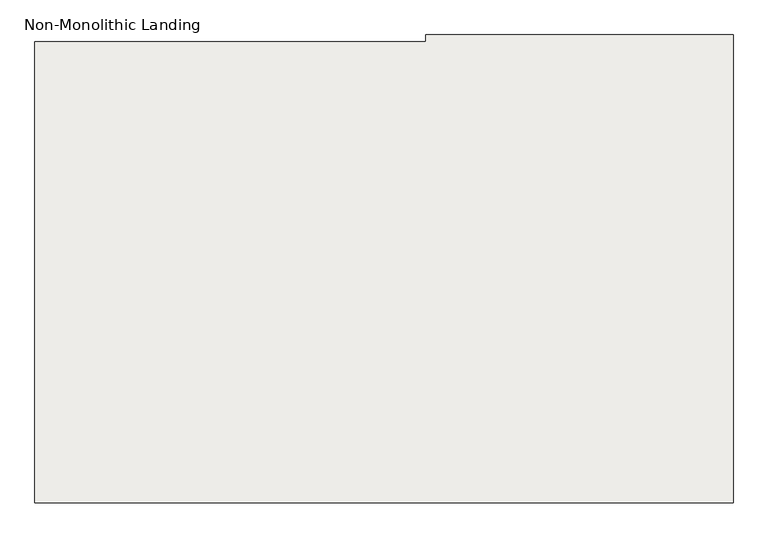
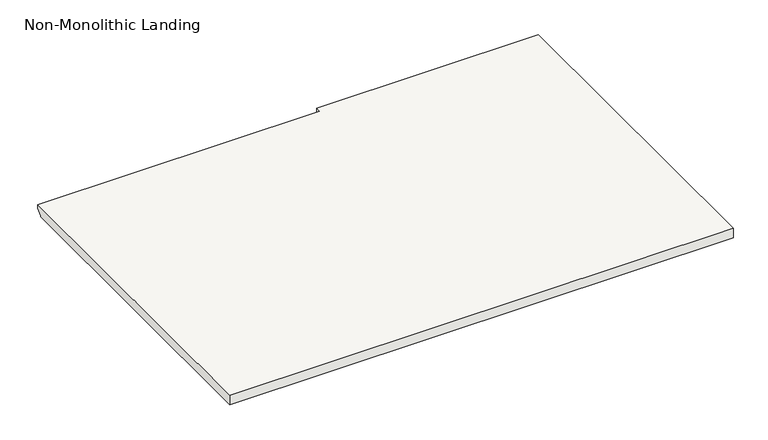
"""IFC4 building model written with IfcOpenShell, lengths in millimetres: slab geometry, Non-Monolithic Landing."""

from ifc_helpers import new_model, si_unit, origin, place, context, project, spatial, faceted_brep, source, transform, mapped, element, save


def non_monolithic_landing_270d0129(model_context):
    return source(origin(), model_context, "Body", "Brep", [
        faceted_brep([(51147.2760627, -14067.1917051, 1581.15), (51147.2760627, -14041.7917051, 1606.55), (52264.8760627, -14041.7917051, 1606.55), (52264.8760627, -14067.1917051, 1581.15), (51147.2760627, -15718.1917051, 1625.6), (53687.2760627, -15718.1917051, 1625.6), (53687.2760627, -14041.7917051, 1625.6), (53687.2760627, -14016.3917051, 1625.6), (52569.6760627, -14016.3917051, 1625.6), (52569.6760627, -14041.7917051, 1625.6), (51147.2760627, -14041.7917051, 1625.6), (52264.8760627, -14067.1917051, 1574.8), (52264.8760627, -14041.7917051, 1574.8), (52569.6760627, -14041.7917051, 1574.8), (52569.6760627, -14016.3917051, 1574.8), (53687.2760627, -14016.3917051, 1574.8), (53687.2760627, -14041.7917051, 1574.8), (53687.2760627, -15718.1917051, 1574.8), (51147.2760627, -15718.1917051, 1574.8), (51147.2760627, -14067.1917051, 1574.8)], [[[0, 1, 2, 3]], [[4, 5, 6, 7, 8, 9, 10]], [[11, 12, 13, 14, 15, 16, 17, 18, 19]], [[12, 11, 3, 2]], [[11, 19, 0, 3]], [[4, 10, 1, 0, 19, 18]], [[5, 4, 18, 17]], [[6, 5, 17, 16]], [[7, 6, 16, 15]], [[8, 7, 15, 14]], [[9, 8, 14, 13]], [[10, 9, 13, 12, 2, 1]]]),
    ])


if __name__ == "__main__":
    model = new_model("IFC4")
    model_context = context("Model", 3, world=origin())
    ifc_project = project(units=[si_unit("LENGTHUNIT", "METRE", prefix="MILLI")], contexts=[model_context])
    site = spatial("IfcSite", under=ifc_project)
    building = spatial("IfcBuilding", under=site)
    placement = place(None, origin())
    non_monolithic_landing_shape = non_monolithic_landing_270d0129(model_context)
    element("IfcSlab", 1, ObjectType="Non-Monolithic Landing", at=placement, inside=building, context=model_context, shape_type="MappedRepresentation", body=[
        mapped(non_monolithic_landing_shape, transform((0.0, 0.0, 0.0), x_axis=(1.0, 0.0, 0.0), y_axis=(0.0, 1.0, 0.0), z_axis=(0.0, 0.0, 1.0))),
    ])
    save(model, "model.ifc")
